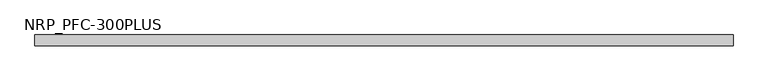
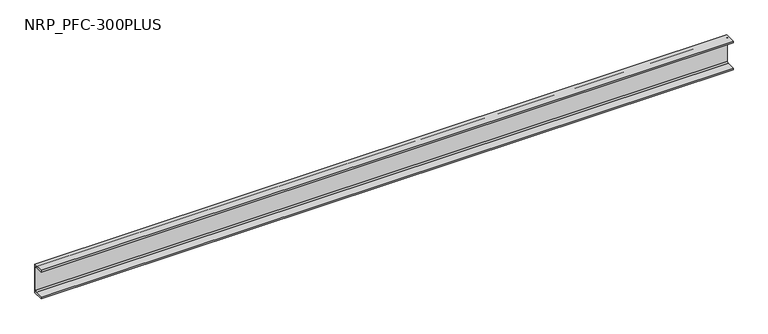
"""IFC4 building model written with IfcOpenShell, lengths in millimetres: member geometry, NRP_PFC-300PLUS."""

from ifc_helpers import new_model, si_unit, point, frame, frame_2d, origin, place, context, project, spatial, polyline, circle_curve, trimmed, segment, composite_curve, outline, extrude, source, transform, mapped, element, save


def nrp_pfc_300plus_481c8c3c(model_context):
    return source(origin(), model_context, "Body", "SweptSolid", [
        extrude(outline(composite_curve([segment(polyline([(28.6, 125.0), (28.6, -125.0), (-61.4, -125.0), (-61.4, -110.0), (8.6, -110.0)]), True, "CONTINUOUS"), segment(trimmed(circle_curve(frame_2d((8.6, -98.0)), 12.0), [point((8.6, -110.0))], [point((20.6, -98.0))], True, "CARTESIAN"), True, "CONTINUOUS"), segment(polyline([(20.6, -98.0), (20.6, 98.0)]), True, "CONTINUOUS"), segment(trimmed(circle_curve(frame_2d((8.6, 98.0)), 12.0), [point((20.6, 98.0))], [point((8.6, 110.0))], True, "CARTESIAN"), True, "CONTINUOUS"), segment(polyline([(8.6, 110.0), (-61.4, 110.0), (-61.4, 125.0), (28.6, 125.0)]), True, "CONTINUOUS")], self_intersect=False)), frame((-2850.0, 0.0, 0.0), z_axis=(1.0, 0.0, 0.0), x_axis=(0.0, 1.0, 0.0)), (0.0, 0.0, 1.0), 5700.0),
    ])


if __name__ == "__main__":
    model = new_model("IFC4")
    model_context = context("Model", 3, world=origin())
    ifc_project = project(units=[si_unit("LENGTHUNIT", "METRE", prefix="MILLI")], contexts=[model_context])
    site = spatial("IfcSite", under=ifc_project)
    building = spatial("IfcBuilding", under=site)
    placement = place(None, origin())
    nrp_pfc_300plus_shape = nrp_pfc_300plus_481c8c3c(model_context)
    element("IfcMember", 1, ObjectType="NRP_PFC-300PLUS", at=placement, inside=building, context=model_context, shape_type="MappedRepresentation", body=[
        mapped(nrp_pfc_300plus_shape, transform((0.0, 0.0, 0.0), x_axis=(1.0, 0.0, 0.0), y_axis=(0.0, 1.0, 0.0), z_axis=(0.0, 0.0, 1.0))),
    ])
    save(model, "model.ifc")
